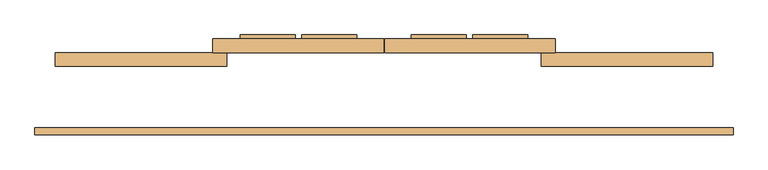
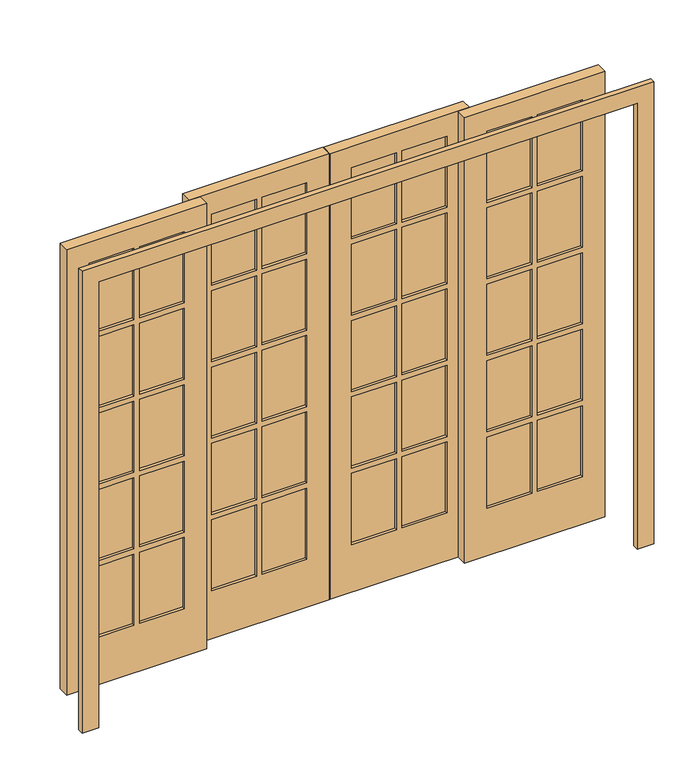
"""IFC4 building model written with IfcOpenShell, lengths in millimetres: door geometry."""

from ifc_helpers import new_model, si_unit, frame, origin, place, context, project, spatial, polyline, outline, extrude, source, transform, mapped, element, save


def door_b0eb7bdd(model_context):
    return source(origin(), model_context, "Body", "SweptSolid", [
        extrude(outline(polyline([(914.4, 164.8293121), (1117.6, 164.8293121), (1117.6, 140.2534681), (914.4, 140.2534681), (914.4, 164.8293121)])), frame((0.0, 0.0, 1691.64), z_axis=(0.0, 0.0, 1.0), x_axis=(1.0, 0.0, 0.0)), (0.0, 0.0, 1.0), 340.36),
        extrude(outline(polyline([(685.8, 164.8293121), (889.0, 164.8293121), (889.0, 140.2534681), (685.8, 140.2534681), (685.8, 164.8293121)])), frame((0.0, 0.0, 1691.64), z_axis=(0.0, 0.0, 1.0), x_axis=(1.0, 0.0, 0.0)), (0.0, 0.0, 1.0), 340.36),
        extrude(outline(polyline([(914.4, 164.8293121), (1117.6, 164.8293121), (1117.6, 140.2534681), (914.4, 140.2534681), (914.4, 164.8293121)])), frame((0.0, 0.0, 1325.88), z_axis=(0.0, 0.0, 1.0), x_axis=(1.0, 0.0, 0.0)), (0.0, 0.0, 1.0), 340.36),
        extrude(outline(polyline([(685.8, 164.8293121), (889.0, 164.8293121), (889.0, 140.2534681), (685.8, 140.2534681), (685.8, 164.8293121)])), frame((0.0, 0.0, 1325.88), z_axis=(0.0, 0.0, 1.0), x_axis=(1.0, 0.0, 0.0)), (0.0, 0.0, 1.0), 340.36),
        extrude(outline(polyline([(914.4, 164.8293121), (1117.6, 164.8293121), (1117.6, 140.2534681), (914.4, 140.2534681), (914.4, 164.8293121)])), frame((0.0, 0.0, 960.12), z_axis=(0.0, 0.0, 1.0), x_axis=(1.0, 0.0, 0.0)), (0.0, 0.0, 1.0), 340.36),
        extrude(outline(polyline([(685.8, 164.8293121), (889.0, 164.8293121), (889.0, 140.2534681), (685.8, 140.2534681), (685.8, 164.8293121)])), frame((0.0, 0.0, 960.12), z_axis=(0.0, 0.0, 1.0), x_axis=(1.0, 0.0, 0.0)), (0.0, 0.0, 1.0), 340.36),
        extrude(outline(polyline([(914.4, 164.8293121), (1117.6, 164.8293121), (1117.6, 140.2534681), (914.4, 140.2534681), (914.4, 164.8293121)])), frame((0.0, 0.0, 594.36), z_axis=(0.0, 0.0, 1.0), x_axis=(1.0, 0.0, 0.0)), (0.0, 0.0, 1.0), 340.36),
        extrude(outline(polyline([(685.8, 164.8293121), (889.0, 164.8293121), (889.0, 140.2534681), (685.8, 140.2534681), (685.8, 164.8293121)])), frame((0.0, 0.0, 594.36), z_axis=(0.0, 0.0, 1.0), x_axis=(1.0, 0.0, 0.0)), (0.0, 0.0, 1.0), 340.36),
        extrude(outline(polyline([(914.4, 164.8293121), (1117.6, 164.8293121), (1117.6, 140.2534681), (914.4, 140.2534681), (914.4, 164.8293121)])), frame((0.0, 0.0, 228.6), z_axis=(0.0, 0.0, 1.0), x_axis=(1.0, 0.0, 0.0)), (0.0, 0.0, 1.0), 340.36),
        extrude(outline(polyline([(685.8, 164.8293121), (889.0, 164.8293121), (889.0, 140.2534681), (685.8, 140.2534681), (685.8, 164.8293121)])), frame((0.0, 0.0, 228.6), z_axis=(0.0, 0.0, 1.0), x_axis=(1.0, 0.0, 0.0)), (0.0, 0.0, 1.0), 340.36),
        extrude(outline(polyline([(-889.0, 164.8293121), (-685.8, 164.8293121), (-685.8, 140.2534681), (-889.0, 140.2534681), (-889.0, 164.8293121)])), frame((0.0, 0.0, 1691.64), z_axis=(0.0, 0.0, 1.0), x_axis=(1.0, 0.0, 0.0)), (0.0, 0.0, 1.0), 340.36),
        extrude(outline(polyline([(-1117.6, 164.8293121), (-914.4, 164.8293121), (-914.4, 140.2534681), (-1117.6, 140.2534681), (-1117.6, 164.8293121)])), frame((0.0, 0.0, 1691.64), z_axis=(0.0, 0.0, 1.0), x_axis=(1.0, 0.0, 0.0)), (0.0, 0.0, 1.0), 340.36),
        extrude(outline(polyline([(-889.0, 164.8293121), (-685.8, 164.8293121), (-685.8, 140.2534681), (-889.0, 140.2534681), (-889.0, 164.8293121)])), frame((0.0, 0.0, 1325.88), z_axis=(0.0, 0.0, 1.0), x_axis=(1.0, 0.0, 0.0)), (0.0, 0.0, 1.0), 340.36),
        extrude(outline(polyline([(-1117.6, 164.8293121), (-914.4, 164.8293121), (-914.4, 140.2534681), (-1117.6, 140.2534681), (-1117.6, 164.8293121)])), frame((0.0, 0.0, 1325.88), z_axis=(0.0, 0.0, 1.0), x_axis=(1.0, 0.0, 0.0)), (0.0, 0.0, 1.0), 340.36),
        extrude(outline(polyline([(-889.0, 164.8293121), (-685.8, 164.8293121), (-685.8, 140.2534681), (-889.0, 140.2534681), (-889.0, 164.8293121)])), frame((0.0, 0.0, 960.12), z_axis=(0.0, 0.0, 1.0), x_axis=(1.0, 0.0, 0.0)), (0.0, 0.0, 1.0), 340.36),
        extrude(outline(polyline([(-1117.6, 164.8293121), (-914.4, 164.8293121), (-914.4, 140.2534681), (-1117.6, 140.2534681), (-1117.6, 164.8293121)])), frame((0.0, 0.0, 960.12), z_axis=(0.0, 0.0, 1.0), x_axis=(1.0, 0.0, 0.0)), (0.0, 0.0, 1.0), 340.36),
        extrude(outline(polyline([(-1117.6, 164.8293121), (-914.4, 164.8293121), (-914.4, 140.2534681), (-1117.6, 140.2534681), (-1117.6, 164.8293121)])), frame((0.0, 0.0, 594.36), z_axis=(0.0, 0.0, 1.0), x_axis=(1.0, 0.0, 0.0)), (0.0, 0.0, 1.0), 340.36),
        extrude(outline(polyline([(-889.0, 164.8293121), (-685.8, 164.8293121), (-685.8, 140.2534681), (-889.0, 140.2534681), (-889.0, 164.8293121)])), frame((0.0, 0.0, 594.36), z_axis=(0.0, 0.0, 1.0), x_axis=(1.0, 0.0, 0.0)), (0.0, 0.0, 1.0), 340.36),
        extrude(outline(polyline([(-1117.6, 164.8293121), (-914.4, 164.8293121), (-914.4, 140.2534681), (-1117.6, 140.2534681), (-1117.6, 164.8293121)])), frame((0.0, 0.0, 228.6), z_axis=(0.0, 0.0, 1.0), x_axis=(1.0, 0.0, 0.0)), (0.0, 0.0, 1.0), 340.36),
        extrude(outline(polyline([(-889.0, 164.8293121), (-685.8, 164.8293121), (-685.8, 140.2534681), (-889.0, 140.2534681), (-889.0, 164.8293121)])), frame((0.0, 0.0, 228.6), z_axis=(0.0, 0.0, 1.0), x_axis=(1.0, 0.0, 0.0)), (0.0, 0.0, 1.0), 340.36),
        extrude(outline(polyline([(-101.6, 190.5), (-304.8, 190.5), (-304.8, 243.5288552), (-101.6, 243.5288552), (-101.6, 190.5)])), frame((0.0, 0.0, 1691.64), z_axis=(0.0, 0.0, 1.0), x_axis=(1.0, 0.0, 0.0)), (0.0, 0.0, 1.0), 340.36),
        extrude(outline(polyline([(-330.2, 190.5), (-533.4, 190.5), (-533.4, 243.5288552), (-330.2, 243.5288552), (-330.2, 190.5)])), frame((0.0, 0.0, 1691.64), z_axis=(0.0, 0.0, 1.0), x_axis=(1.0, 0.0, 0.0)), (0.0, 0.0, 1.0), 340.36),
        extrude(outline(polyline([(-330.2, 190.5), (-533.4, 190.5), (-533.4, 243.5288552), (-330.2, 243.5288552), (-330.2, 190.5)])), frame((0.0, 0.0, 1325.88), z_axis=(0.0, 0.0, 1.0), x_axis=(1.0, 0.0, 0.0)), (0.0, 0.0, 1.0), 340.36),
        extrude(outline(polyline([(-101.6, 190.5), (-304.8, 190.5), (-304.8, 243.5288552), (-101.6, 243.5288552), (-101.6, 190.5)])), frame((0.0, 0.0, 1325.88), z_axis=(0.0, 0.0, 1.0), x_axis=(1.0, 0.0, 0.0)), (0.0, 0.0, 1.0), 340.36),
        extrude(outline(polyline([(-330.2, 190.5), (-533.4, 190.5), (-533.4, 243.5288552), (-330.2, 243.5288552), (-330.2, 190.5)])), frame((0.0, 0.0, 960.12), z_axis=(0.0, 0.0, 1.0), x_axis=(1.0, 0.0, 0.0)), (0.0, 0.0, 1.0), 340.36),
        extrude(outline(polyline([(-101.6, 190.5), (-304.8, 190.5), (-304.8, 243.5288552), (-101.6, 243.5288552), (-101.6, 190.5)])), frame((0.0, 0.0, 960.12), z_axis=(0.0, 0.0, 1.0), x_axis=(1.0, 0.0, 0.0)), (0.0, 0.0, 1.0), 340.36),
        extrude(outline(polyline([(-330.2, 190.5), (-533.4, 190.5), (-533.4, 243.5288552), (-330.2, 243.5288552), (-330.2, 190.5)])), frame((0.0, 0.0, 594.36), z_axis=(0.0, 0.0, 1.0), x_axis=(1.0, 0.0, 0.0)), (0.0, 0.0, 1.0), 340.36),
        extrude(outline(polyline([(-101.6, 190.5), (-304.8, 190.5), (-304.8, 243.5288552), (-101.6, 243.5288552), (-101.6, 190.5)])), frame((0.0, 0.0, 594.36), z_axis=(0.0, 0.0, 1.0), x_axis=(1.0, 0.0, 0.0)), (0.0, 0.0, 1.0), 340.36),
        extrude(outline(polyline([(-330.2, 190.5), (-533.4, 190.5), (-533.4, 243.5288552), (-330.2, 243.5288552), (-330.2, 190.5)])), frame((0.0, 0.0, 228.6), z_axis=(0.0, 0.0, 1.0), x_axis=(1.0, 0.0, 0.0)), (0.0, 0.0, 1.0), 340.36),
        extrude(outline(polyline([(-101.6, 190.5), (-304.8, 190.5), (-304.8, 243.5288552), (-101.6, 243.5288552), (-101.6, 190.5)])), frame((0.0, 0.0, 228.6), z_axis=(0.0, 0.0, 1.0), x_axis=(1.0, 0.0, 0.0)), (0.0, 0.0, 1.0), 340.36),
        extrude(outline(polyline([(533.4, 190.5), (330.2, 190.5), (330.2, 243.5288552), (533.4, 243.5288552), (533.4, 190.5)])), frame((0.0, 0.0, 1691.64), z_axis=(0.0, 0.0, 1.0), x_axis=(1.0, 0.0, 0.0)), (0.0, 0.0, 1.0), 340.36),
        extrude(outline(polyline([(304.8, 190.5), (101.6, 190.5), (101.6, 243.5288552), (304.8, 243.5288552), (304.8, 190.5)])), frame((0.0, 0.0, 1691.64), z_axis=(0.0, 0.0, 1.0), x_axis=(1.0, 0.0, 0.0)), (0.0, 0.0, 1.0), 340.36),
        extrude(outline(polyline([(304.8, 190.5), (101.6, 190.5), (101.6, 243.5288552), (304.8, 243.5288552), (304.8, 190.5)])), frame((0.0, 0.0, 1325.88), z_axis=(0.0, 0.0, 1.0), x_axis=(1.0, 0.0, 0.0)), (0.0, 0.0, 1.0), 340.36),
        extrude(outline(polyline([(533.4, 190.5), (330.2, 190.5), (330.2, 243.5288552), (533.4, 243.5288552), (533.4, 190.5)])), frame((0.0, 0.0, 1325.88), z_axis=(0.0, 0.0, 1.0), x_axis=(1.0, 0.0, 0.0)), (0.0, 0.0, 1.0), 340.36),
        extrude(outline(polyline([(304.8, 190.5), (101.6, 190.5), (101.6, 243.5288552), (304.8, 243.5288552), (304.8, 190.5)])), frame((0.0, 0.0, 960.12), z_axis=(0.0, 0.0, 1.0), x_axis=(1.0, 0.0, 0.0)), (0.0, 0.0, 1.0), 340.36),
        extrude(outline(polyline([(533.4, 190.5), (330.2, 190.5), (330.2, 243.5288552), (533.4, 243.5288552), (533.4, 190.5)])), frame((0.0, 0.0, 960.12), z_axis=(0.0, 0.0, 1.0), x_axis=(1.0, 0.0, 0.0)), (0.0, 0.0, 1.0), 340.36),
        extrude(outline(polyline([(533.4, 190.5), (330.2, 190.5), (330.2, 243.5288552), (533.4, 243.5288552), (533.4, 190.5)])), frame((0.0, 0.0, 594.36), z_axis=(0.0, 0.0, 1.0), x_axis=(1.0, 0.0, 0.0)), (0.0, 0.0, 1.0), 340.36),
        extrude(outline(polyline([(304.8, 190.5), (101.6, 190.5), (101.6, 243.5288552), (304.8, 243.5288552), (304.8, 190.5)])), frame((0.0, 0.0, 594.36), z_axis=(0.0, 0.0, 1.0), x_axis=(1.0, 0.0, 0.0)), (0.0, 0.0, 1.0), 340.36),
        extrude(outline(polyline([(304.8, 190.5), (101.6, 190.5), (101.6, 243.5288552), (304.8, 243.5288552), (304.8, 190.5)])), frame((0.0, 0.0, 228.6), z_axis=(0.0, 0.0, 1.0), x_axis=(1.0, 0.0, 0.0)), (0.0, 0.0, 1.0), 340.36),
        extrude(outline(polyline([(533.4, 190.5), (330.2, 190.5), (330.2, 243.5288552), (533.4, 243.5288552), (533.4, 190.5)])), frame((0.0, 0.0, 228.6), z_axis=(0.0, 0.0, 1.0), x_axis=(1.0, 0.0, 0.0)), (0.0, 0.0, 1.0), 340.36),
        extrude(outline(polyline([(2133.6, -635.0), (0.0, -635.0), (0.0, 0.0), (2133.6, 0.0), (2133.6, -635.0)]), holes=[polyline([(2032.0, -304.8), (2032.0, -101.6), (1691.64, -101.6), (1691.64, -304.8), (2032.0, -304.8)]), polyline([(568.96, -101.6), (228.6, -101.6), (228.6, -304.8), (568.96, -304.8), (568.96, -101.6)]), polyline([(1666.24, -101.6), (1325.88, -101.6), (1325.88, -304.8), (1666.24, -304.8), (1666.24, -101.6)]), polyline([(1691.64, -330.2), (1691.64, -533.4), (2032.0, -533.4), (2032.0, -330.2), (1691.64, -330.2)]), polyline([(1666.24, -330.2), (1325.88, -330.2), (1325.88, -533.4), (1666.24, -533.4), (1666.24, -330.2)]), polyline([(1300.48, -330.2), (960.12, -330.2), (960.12, -533.4), (1300.48, -533.4), (1300.48, -330.2)]), polyline([(1300.48, -101.6), (960.12, -101.6), (960.12, -304.8), (1300.48, -304.8), (1300.48, -101.6)]), polyline([(934.72, -330.2), (594.36, -330.2), (594.36, -533.4), (934.72, -533.4), (934.72, -330.2)]), polyline([(934.72, -101.6), (594.36, -101.6), (594.36, -304.8), (934.72, -304.8), (934.72, -101.6)]), polyline([(228.6, -330.2), (228.6, -533.4), (568.96, -533.4), (568.96, -330.2), (228.6, -330.2)])]), frame((0.0, 177.8, 0.0), z_axis=(0.0, 1.0, 0.0), x_axis=(0.0, 0.0, 1.0)), (0.0, 0.0, 1.0), 50.8),
        extrude(outline(polyline([(2133.6, 3.175), (0.0, 3.175), (0.0, 635.0), (2133.6, 635.0), (2133.6, 3.175)]), holes=[polyline([(1691.64, 330.2), (2032.0, 330.2), (2032.0, 533.4), (1691.64, 533.4), (1691.64, 330.2)]), polyline([(568.96, 304.8), (228.6, 304.8), (228.6, 101.6), (568.96, 101.6), (568.96, 304.8)]), polyline([(1691.64, 101.6), (2032.0, 101.6), (2032.0, 304.8), (1691.64, 304.8), (1691.64, 101.6)]), polyline([(1666.24, 101.6), (1666.24, 304.8), (1325.88, 304.8), (1325.88, 101.6), (1666.24, 101.6)]), polyline([(1666.24, 533.4), (1325.88, 533.4), (1325.88, 330.2), (1666.24, 330.2), (1666.24, 533.4)]), polyline([(1300.48, 101.6), (1300.48, 304.8), (960.12, 304.8), (960.12, 101.6), (1300.48, 101.6)]), polyline([(1300.48, 533.4), (960.12, 533.4), (960.12, 330.2), (1300.48, 330.2), (1300.48, 533.4)]), polyline([(934.72, 101.6), (934.72, 304.8), (594.36, 304.8), (594.36, 101.6), (934.72, 101.6)]), polyline([(934.72, 533.4), (594.36, 533.4), (594.36, 330.2), (934.72, 330.2), (934.72, 533.4)]), polyline([(568.96, 533.4), (228.6, 533.4), (228.6, 330.2), (568.96, 330.2), (568.96, 533.4)])]), frame((0.0, 177.8, 0.0), z_axis=(0.0, 1.0, 0.0), x_axis=(0.0, 0.0, 1.0)), (0.0, 0.0, 1.0), 50.8),
        extrude(outline(polyline([(2133.6, 584.2), (0.0, 584.2), (0.0, 1219.2), (2133.6, 1219.2), (2133.6, 584.2)]), holes=[polyline([(2032.0, 914.4), (2032.0, 1117.6), (1691.64, 1117.6), (1691.64, 914.4), (2032.0, 914.4)]), polyline([(568.96, 1117.6), (228.6, 1117.6), (228.6, 914.4), (568.96, 914.4), (568.96, 1117.6)]), polyline([(1666.24, 914.4), (1666.24, 1117.6), (1325.88, 1117.6), (1325.88, 914.4), (1666.24, 914.4)]), polyline([(1300.48, 914.4), (1300.48, 1117.6), (960.12, 1117.6), (960.12, 914.4), (1300.48, 914.4)]), polyline([(594.36, 914.4), (934.72, 914.4), (934.72, 1117.6), (594.36, 1117.6), (594.36, 914.4)]), polyline([(960.12, 889.0), (960.12, 685.8), (1300.48, 685.8), (1300.48, 889.0), (960.12, 889.0)]), polyline([(934.72, 889.0), (594.36, 889.0), (594.36, 685.8), (934.72, 685.8), (934.72, 889.0)]), polyline([(228.6, 889.0), (228.6, 685.8), (568.96, 685.8), (568.96, 889.0), (228.6, 889.0)]), polyline([(1691.64, 685.8), (2032.0, 685.8), (2032.0, 889.0), (1691.64, 889.0), (1691.64, 685.8)]), polyline([(1325.88, 685.8), (1666.24, 685.8), (1666.24, 889.0), (1325.88, 889.0), (1325.88, 685.8)])]), frame((0.0, 127.0, 0.0), z_axis=(0.0, 1.0, 0.0), x_axis=(0.0, 0.0, 1.0)), (0.0, 0.0, 1.0), 50.8),
        extrude(outline(polyline([(2133.6, -1219.2), (0.0, -1219.2), (0.0, -584.2), (2133.6, -584.2), (2133.6, -1219.2)]), holes=[polyline([(2032.0, -889.0), (2032.0, -685.8), (1691.64, -685.8), (1691.64, -889.0), (2032.0, -889.0)]), polyline([(568.96, -685.8), (228.6, -685.8), (228.6, -889.0), (568.96, -889.0), (568.96, -685.8)]), polyline([(228.6, -914.4), (228.6, -1117.6), (568.96, -1117.6), (568.96, -914.4), (228.6, -914.4)]), polyline([(1691.64, -1117.6), (2032.0, -1117.6), (2032.0, -914.4), (1691.64, -914.4), (1691.64, -1117.6)]), polyline([(1666.24, -914.4), (1325.88, -914.4), (1325.88, -1117.6), (1666.24, -1117.6), (1666.24, -914.4)]), polyline([(1300.48, -914.4), (960.12, -914.4), (960.12, -1117.6), (1300.48, -1117.6), (1300.48, -914.4)]), polyline([(934.72, -914.4), (594.36, -914.4), (594.36, -1117.6), (934.72, -1117.6), (934.72, -914.4)]), polyline([(934.72, -685.8), (594.36, -685.8), (594.36, -889.0), (934.72, -889.0), (934.72, -685.8)]), polyline([(1300.48, -685.8), (960.12, -685.8), (960.12, -889.0), (1300.48, -889.0), (1300.48, -685.8)]), polyline([(1666.24, -685.8), (1325.88, -685.8), (1325.88, -889.0), (1666.24, -889.0), (1666.24, -685.8)])]), frame((0.0, 127.0, 0.0), z_axis=(0.0, 1.0, 0.0), x_axis=(0.0, 0.0, 1.0)), (0.0, 0.0, 1.0), 50.8),
        extrude(outline(polyline([(2133.6, -1219.2), (2133.6, 1219.2), (0.0, 1219.2), (0.0, 1295.4), (2209.8, 1295.4), (2209.8, -1295.4), (0.0, -1295.4), (0.0, -1219.2), (2133.6, -1219.2)])), frame((0.0, -127.0, 0.0), z_axis=(0.0, 1.0, 0.0), x_axis=(0.0, 0.0, 1.0)), (0.0, 0.0, 1.0), 25.4),
    ])


if __name__ == "__main__":
    model = new_model("IFC4")
    model_context = context("Model", 3, world=origin())
    ifc_project = project(units=[si_unit("LENGTHUNIT", "METRE", prefix="MILLI")], contexts=[model_context])
    site = spatial("IfcSite", under=ifc_project)
    building = spatial("IfcBuilding", under=site)
    placement = place(None, origin())
    door_shape = door_b0eb7bdd(model_context)
    element("IfcDoor", 1, at=placement, inside=building, context=model_context, shape_type="MappedRepresentation", body=[
        mapped(door_shape, transform((0.0, 0.0, 0.0), x_axis=(1.0, 0.0, 0.0), y_axis=(0.0, 1.0, 0.0), z_axis=(0.0, 0.0, 1.0))),
    ])
    save(model, "model.ifc")
